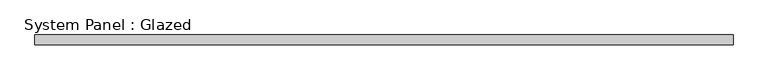
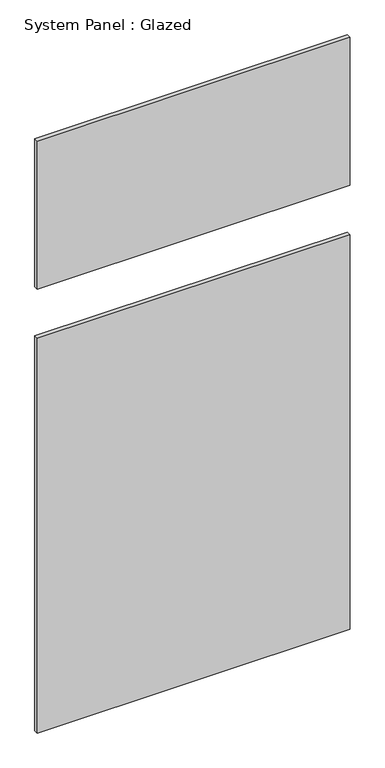
"""IFC4 building model written with IfcOpenShell, lengths in millimetres: plate geometry, System Panel : Glazed."""

from ifc_helpers import new_model, si_unit, frame, origin, origin_with_axes, place, context, project, spatial, polyline, outline, extrude, source, transform, mapped, element, save


def system_panel_glazed_5353e915(model_context):
    return source(origin(), model_context, "Body", "SweptSolid", [
        extrude(outline(polyline([(914.4, 19.05), (-914.4, 19.05), (-914.4, 44.45), (914.4, 44.45), (914.4, 19.05)])), frame((0.0, 0.0, 2743.2), z_axis=(0.0, 0.0, 1.0), x_axis=(1.0, 0.0, 0.0)), (0.0, 0.0, 1.0), 914.4),
        extrude(outline(polyline([(914.4, 19.05), (-914.4, 19.05), (-914.4, 44.45), (914.4, 44.45), (914.4, 19.05)])), origin_with_axes(), (0.0, 0.0, 1.0), 2438.4),
    ])


if __name__ == "__main__":
    model = new_model("IFC4")
    model_context = context("Model", 3, world=origin())
    ifc_project = project(units=[si_unit("LENGTHUNIT", "METRE", prefix="MILLI")], contexts=[model_context])
    site = spatial("IfcSite", under=ifc_project)
    building = spatial("IfcBuilding", under=site)
    placement = place(None, origin())
    system_panel_glazed_shape = system_panel_glazed_5353e915(model_context)
    element("IfcPlate", 1, ObjectType="System Panel : Glazed", at=placement, inside=building, context=model_context, shape_type="MappedRepresentation", body=[
        mapped(system_panel_glazed_shape, transform((0.0, 0.0, 0.0), x_axis=(1.0, 0.0, 0.0), y_axis=(0.0, 1.0, 0.0), z_axis=(0.0, 0.0, 1.0))),
    ])
    save(model, "model.ifc")
